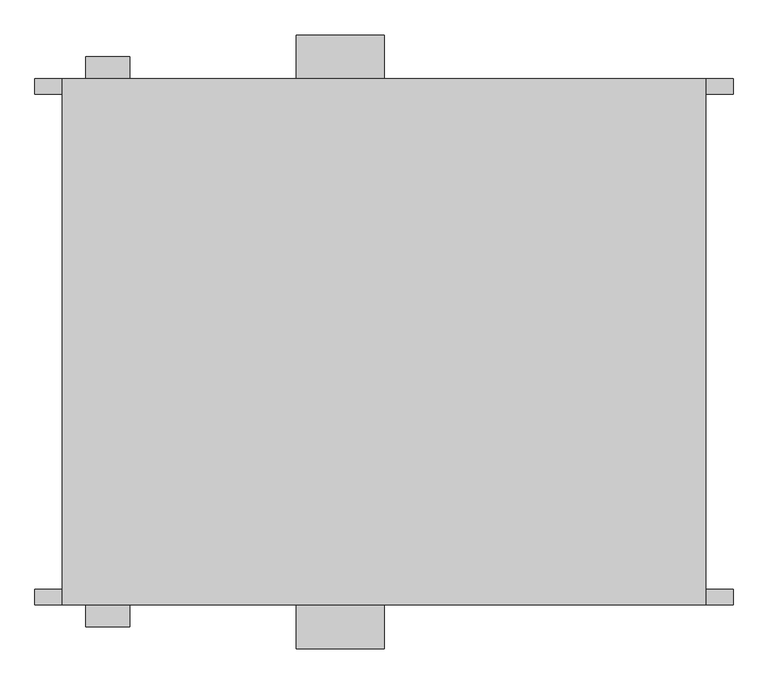
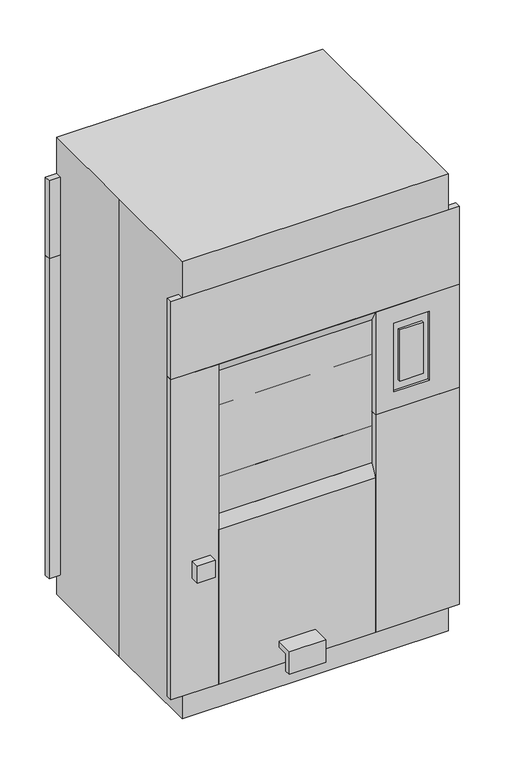
"""IFC4 building model written with IfcOpenShell, lengths in millimetres: proxy geometry."""

import ifcopenshell
import ifcopenshell.guid

model = None  # the IFC model being written
_history = None  # IfcOwnerHistory: only IFC2X3 demands one
_inside = {}  # id of a spatial element -> (the spatial element, [elements in it])
_under = {}  # id of a project, library or spatial element -> (it, [spatial elements below it])
_declared = {}  # id of a project -> (the project, [libraries it declares])
_typed = {}  # id of a type object -> (the type object, [elements of that type])
_made_of = {}  # id of a material, layer set ... -> (it, [elements and type objects made of it])


def new_model(schema):
    """Start an empty IFC model of exactly this schema.

    Asked for "IFC4X3", IfcOpenShell would pick the latest addendum, in which some entities
    have other attributes; the version numbers below select the first issue.
    IFC2X3 requires an IfcOwnerHistory on every rooted entity: one is made here for all.
    """
    global model, _history
    if schema == "IFC4X3":
        model = ifcopenshell.file(schema_version=(4, 3, 0, 0))
    else:
        model = ifcopenshell.file(schema=schema)
    _inside.clear()
    _under.clear()
    _declared.clear()
    _typed.clear()
    _made_of.clear()
    _history = None
    if model.schema == "IFC2X3":
        org = make("IfcOrganization", Name="unknown")
        user = make(
            "IfcPersonAndOrganization",
            ThePerson=make("IfcPerson", FamilyName="unknown"),
            TheOrganization=org,
        )
        app = make(
            "IfcApplication",
            ApplicationDeveloper=org,
            Version="unknown",
            ApplicationFullName="unknown",
            ApplicationIdentifier="unknown",
        )
        _history = make(
            "IfcOwnerHistory",
            OwningUser=user,
            OwningApplication=app,
            ChangeAction="ADDED",
            CreationDate=0,
        )
    return model


def make(cls, **values):
    """One entity of the class cls with the attributes given. An attribute that is None is left unset."""
    return model.create_entity(
        cls, **{name: value for name, value in values.items() if value is not None}
    )


def rooted(cls, **values):
    """An entity with a GlobalId (a new one), such as an element, a storey or a relation."""
    return make(cls, GlobalId=ifcopenshell.guid.new(), OwnerHistory=_history, **values)


def si_unit(unit_type, name, prefix=None):
    """IfcSIUnit, for example si_unit("LENGTHUNIT", "METRE", prefix="MILLI")."""
    return make("IfcSIUnit", UnitType=unit_type, Prefix=prefix, Name=name)


def assignment(units):
    """IfcUnitAssignment: the units of a project."""
    return None if units is None else make("IfcUnitAssignment", Units=units)


def point(xyz):
    """IfcCartesianPoint."""
    return None if xyz is None else make("IfcCartesianPoint", Coordinates=xyz)


def direction(xyz):
    """IfcDirection."""
    return None if xyz is None else make("IfcDirection", DirectionRatios=xyz)


def frame(location, z_axis=None, x_axis=None):
    """IfcAxis2Placement3D, a coordinate frame: its origin and axes. An axis left out is left unset."""
    return make(
        "IfcAxis2Placement3D",
        Location=point(location),
        Axis=direction(z_axis),
        RefDirection=direction(x_axis),
    )


def origin():
    """The frame at (0, 0, 0) with its axes left unset."""
    return frame((0.0, 0.0, 0.0))


def place(relative_to, where):
    """IfcLocalPlacement: puts the frame where relative to a parent placement (None: the world)."""
    return make(
        "IfcLocalPlacement", PlacementRelTo=relative_to, RelativePlacement=where
    )


def context(
    kind, dimensions, precision=None, world=None, true_north=None, identifier=None
):
    """IfcGeometricRepresentationContext, for example the 3D "Model" context."""
    return make(
        "IfcGeometricRepresentationContext",
        ContextIdentifier=identifier,
        ContextType=kind,
        CoordinateSpaceDimension=dimensions,
        Precision=precision,
        WorldCoordinateSystem=world,
        TrueNorth=true_north,
    )


def project(units=None, contexts=None):
    """IfcProject with its units and contexts."""
    return rooted(
        "IfcProject",
        Name="project",
        RepresentationContexts=contexts,
        UnitsInContext=assignment(units),
    )


def spatial(cls, under=None, at=None, **own):
    """A site, building, storey or space (cls), placed at a placement, below another one or the project."""
    s = rooted(cls, ObjectPlacement=at, **own)
    if under is not None:
        _under.setdefault(under.id(), (under, []))[1].append(s)
    return s


def polyline(points):
    """IfcPolyline through the points."""
    return make("IfcPolyline", Points=[point(p) for p in points])


def outline(outer, holes=None, kind="AREA"):
    """IfcArbitraryClosedProfileDef: a profile drawn as a closed curve; with holes, ...WithVoids."""
    if holes is None:
        return make("IfcArbitraryClosedProfileDef", ProfileType=kind, OuterCurve=outer)
    return make(
        "IfcArbitraryProfileDefWithVoids",
        ProfileType=kind,
        OuterCurve=outer,
        InnerCurves=holes,
    )


def extrude(swept, where, along, depth):
    """IfcExtrudedAreaSolid: the profile swept, set in the frame where, extruded along a direction by depth."""
    return make(
        "IfcExtrudedAreaSolid",
        SweptArea=swept,
        Position=where,
        ExtrudedDirection=direction(along),
        Depth=depth,
    )


def faces_of(points, faces, orient=None, outer=None):
    """IfcFace entities. A face is a list of loops; a loop is a list of indices into points, from 0.

    orient and outer hold one flag for each loop. By default every Orientation is true, the
    first loop of a face is its IfcFaceOuterBound and the others are IfcFaceBound.
    """
    made = []
    for i, loops in enumerate(faces):
        bounds = []
        for j, loop in enumerate(loops):
            is_outer = j == 0 if outer is None else outer[i][j]
            bounds.append(
                make(
                    "IfcFaceOuterBound" if is_outer else "IfcFaceBound",
                    Bound=make("IfcPolyLoop", Polygon=[points[k] for k in loop]),
                    Orientation=True if orient is None else orient[i][j],
                )
            )
        made.append(make("IfcFace", Bounds=bounds))
    return made


def faceted_brep(points, faces, orient=None, outer=None, voids=None):
    """IfcFacetedBrep: a solid bounded by flat faces; with voids (closed shells), ...WithVoids."""
    shared = [point(p) for p in points]
    hull = make("IfcClosedShell", CfsFaces=faces_of(shared, faces, orient, outer))
    if voids is None:
        return make("IfcFacetedBrep", Outer=hull)
    return make(
        "IfcFacetedBrepWithVoids",
        Outer=hull,
        Voids=[
            make(cls, CfsFaces=faces_of(shared, fs, o, b)) for cls, fs, o, b in voids
        ],
    )


def shape(context_of_items, identifier, shape_type, items):
    """IfcShapeRepresentation: the items that make up one representation, for example the "Body"."""
    return make(
        "IfcShapeRepresentation",
        ContextOfItems=context_of_items,
        RepresentationIdentifier=identifier,
        RepresentationType=shape_type,
        Items=items,
    )


def source(mapping_origin, context_of_items, identifier, shape_type, items):
    """IfcRepresentationMap: a shape defined once, which mapped items show again and again."""
    return make(
        "IfcRepresentationMap",
        MappingOrigin=mapping_origin,
        MappedRepresentation=shape(context_of_items, identifier, shape_type, items),
    )


def transform(
    local_origin,
    x_axis=None,
    y_axis=None,
    z_axis=None,
    scale=None,
    scale2=None,
    scale3=None,
    uniform=True,
):
    """IfcCartesianTransformationOperator3D, or its non-uniform kind. x_axis, y_axis, z_axis: its Axis1, 2, 3."""
    if uniform:
        return make(
            "IfcCartesianTransformationOperator3D",
            Axis1=direction(x_axis),
            Axis2=direction(y_axis),
            LocalOrigin=point(local_origin),
            Scale=scale,
            Axis3=direction(z_axis),
        )
    return make(
        "IfcCartesianTransformationOperator3DnonUniform",
        Axis1=direction(x_axis),
        Axis2=direction(y_axis),
        LocalOrigin=point(local_origin),
        Scale=scale,
        Axis3=direction(z_axis),
        Scale2=scale2,
        Scale3=scale3,
    )


def mapped(mapping_source, mapping_target):
    """IfcMappedItem: shows the shape of a source again, moved by a transform."""
    return make(
        "IfcMappedItem", MappingSource=mapping_source, MappingTarget=mapping_target
    )


def made_of(thing, what):
    """Note that an element or type object is made of a material, layer set ...; save() writes the relation."""
    if what is not None:
        _made_of.setdefault(what.id(), (what, []))[1].append(thing)
    return thing


def element(
    cls,
    number,
    at=None,
    inside=None,
    cuts=None,
    type_object=None,
    material=None,
    context=None,
    identifier="Body",
    shape_type=None,
    held_by="IfcProductDefinitionShape",
    body=None,
    shapes=None,
    **own,
):
    """One element of the class cls, such as IfcWall. Its Tag is "e" and its number.

    at: its placement. inside: the storey or other place that contains it. cuts: it is an
    opening in that element (IfcRelVoidsElement). A single representation is given by context,
    identifier, shape_type and body (its items); several are given by shapes. held_by: the class
    of the entity that holds the representations. save() writes the other relations.
    """
    e = rooted(cls, Tag="e%d" % number, ObjectPlacement=at, **own)
    if body is not None:
        shapes = [shape(context, identifier, shape_type, body)]
    if shapes is not None:
        e.Representation = make(held_by, Representations=shapes)
    if inside is not None:
        _inside.setdefault(inside.id(), (inside, []))[1].append(e)
    if cuts is not None:
        rooted(
            "IfcRelVoidsElement", RelatingBuildingElement=cuts, RelatedOpeningElement=e
        )
    if type_object is not None:
        _typed.setdefault(type_object.id(), (type_object, []))[1].append(e)
    return made_of(e, material)


def aggregate(whole, parts):
    """IfcRelAggregates: a whole, such as a stair, and the parts it consists of."""
    return rooted("IfcRelAggregates", RelatingObject=whole, RelatedObjects=parts)


def save(model, path):
    """Write the relations noted so far, then the file.

    IfcRelAggregates (storeys below a building ...), IfcRelContainedInSpatialStructure (elements
    in a storey), IfcRelDefinesByType, IfcRelAssociatesMaterial and IfcRelDeclares: one each for
    every whole, place, type object, material and project.
    """
    for whole, parts in _under.values():
        aggregate(whole, parts)
    for where, things in _inside.values():
        rooted(
            "IfcRelContainedInSpatialStructure",
            RelatedElements=things,
            RelatingStructure=where,
        )
    for kind, things in _typed.values():
        rooted("IfcRelDefinesByType", RelatedObjects=things, RelatingType=kind)
    for what, things in _made_of.values():
        rooted("IfcRelAssociatesMaterial", RelatedObjects=things, RelatingMaterial=what)
    for by, libraries in _declared.values():
        rooted("IfcRelDeclares", RelatingContext=by, RelatedDefinitions=libraries)
    model.write(path)


def specialty_equipment_aeb0d0a3(model_context):
    return source(origin(), model_context, "Body", "SolidModel", [
        extrude(outline(polyline([(-457.2, 101.6), (-457.2, 787.4), (-430.2125, 838.2), (-430.2125, 101.6), (-457.2, 101.6)])), frame((-406.4, 0.0, 0.0), z_axis=(1.0, 0.0, 0.0), x_axis=(0.0, 1.0, 0.0)), (0.0, 0.0, 1.0), 660.4),
        extrude(outline(polyline([(-430.2125, 1524.0), (-430.2125, 1473.2), (-457.2, 1524.0), (-430.2125, 1524.0)])), frame((-406.4, 0.0, 0.0), z_axis=(1.0, 0.0, 0.0), x_axis=(0.0, 1.0, 0.0)), (0.0, 0.0, 1.0), 660.4),
        faceted_brep([(606.425, -457.2, 1524.0), (254.0, -457.2, 1524.0), (254.0, -457.2, 1066.8), (606.425, -457.2, 1066.8), (479.425, -457.2, 1447.8), (479.425, -457.2, 1143.0), (330.2, -457.2, 1143.0), (330.2, -457.2, 1447.8), (454.025, -457.2, 1409.7), (355.6, -457.2, 1409.7), (355.6, -457.2, 1181.1), (454.025, -457.2, 1181.1), (606.425, -430.2125, 1524.0), (606.425, -430.2125, 1066.8), (254.0, -430.2125, 1066.8), (254.0, -430.2125, 1524.0), (479.425, -448.0871048, 1447.8), (330.2, -448.0871048, 1447.8), (330.2, -448.0871048, 1143.0), (479.425, -448.0871048, 1143.0), (454.025, -448.0871048, 1409.7), (454.025, -448.0871048, 1181.1), (355.6, -448.0871048, 1181.1), (355.6, -448.0871048, 1409.7)], [[[0, 1, 2, 3], [4, 5, 6, 7]], [[8, 9, 10, 11]], [[12, 13, 14, 15]], [[0, 12, 15, 1]], [[1, 15, 14, 2]], [[2, 14, 13, 3]], [[3, 13, 12, 0]], [[16, 17, 18, 19], [20, 21, 22, 23]], [[16, 4, 7, 17]], [[17, 7, 6, 18]], [[18, 6, 5, 19]], [[19, 5, 4, 16]], [[20, 8, 11, 21]], [[21, 11, 10, 22]], [[22, 10, 9, 23]], [[23, 9, 8, 20]]]),
        extrude(outline(polyline([(606.425, 457.2), (606.425, 430.2125), (254.0, 430.2125), (254.0, 457.2), (606.425, 457.2)])), frame((0.0, 0.0, 101.6), z_axis=(0.0, 0.0, 1.0), x_axis=(1.0, 0.0, 0.0)), (0.0, 0.0, 1.0), 965.2),
        extrude(outline(polyline([(-406.4, 457.2), (-406.4, 430.2125), (-606.425, 430.2125), (-606.425, 457.2), (-406.4, 457.2)])), frame((0.0, 0.0, 101.6), z_axis=(0.0, 0.0, 1.0), x_axis=(1.0, 0.0, 0.0)), (0.0, 0.0, 1.0), 1422.4),
        extrude(outline(polyline([(606.425, 457.2), (606.425, 430.2125), (-606.425, 430.2125), (-606.425, 457.2), (606.425, 457.2)])), frame((0.0, 0.0, 1524.0), z_axis=(0.0, 0.0, 1.0), x_axis=(1.0, 0.0, 0.0)), (0.0, 0.0, 1.0), 346.075),
        extrude(outline(polyline([(-533.4, 203.2), (-457.2, 203.2), (-457.2, 177.8), (-508.0, 177.8), (-508.0, 101.6), (-533.4, 101.6), (-533.4, 203.2)])), frame((-152.4, 0.0, 0.0), z_axis=(1.0, 0.0, 0.0), x_axis=(0.0, 1.0, 0.0)), (0.0, 0.0, 1.0), 152.4),
        extrude(outline(polyline([(-517.7182221, -495.3), (-517.7182221, -457.2), (-441.5182221, -457.2), (-441.5182221, -495.3), (-517.7182221, -495.3)])), frame((0.0, 0.0, 611.2734951), z_axis=(0.0, 0.0, 1.0), x_axis=(1.0, 0.0, 0.0)), (0.0, 0.0, 1.0), 76.2),
        extrude(outline(polyline([(254.0, -457.2), (254.0, -430.2125), (606.425, -430.2125), (606.425, -457.2), (254.0, -457.2)])), frame((0.0, 0.0, 101.6), z_axis=(0.0, 0.0, 1.0), x_axis=(1.0, 0.0, 0.0)), (0.0, 0.0, 1.0), 965.2),
        extrude(outline(polyline([(-606.425, -457.2), (-606.425, -430.2125), (-406.4, -430.2125), (-406.4, -457.2), (-606.425, -457.2)])), frame((0.0, 0.0, 101.6), z_axis=(0.0, 0.0, 1.0), x_axis=(1.0, 0.0, 0.0)), (0.0, 0.0, 1.0), 1422.4),
        extrude(outline(polyline([(-606.425, -457.2), (-606.425, -430.2125), (606.425, -430.2125), (606.425, -457.2), (-606.425, -457.2)])), frame((0.0, 0.0, 1524.0), z_axis=(0.0, 0.0, 1.0), x_axis=(1.0, 0.0, 0.0)), (0.0, 0.0, 1.0), 346.075),
        extrude(outline(polyline([(533.4, 203.2), (533.4, 101.6), (508.0, 101.6), (508.0, 177.8), (457.2, 177.8), (457.2, 203.2), (533.4, 203.2)])), frame((-152.4, 0.0, 0.0), z_axis=(1.0, 0.0, 0.0), x_axis=(0.0, 1.0, 0.0)), (0.0, 0.0, 1.0), 152.4),
        extrude(outline(polyline([(-441.5182221, 495.3), (-441.5182221, 457.2), (-517.7182221, 457.2), (-517.7182221, 495.3), (-441.5182221, 495.3)])), frame((0.0, 0.0, 611.2734951), z_axis=(0.0, 0.0, 1.0), x_axis=(1.0, 0.0, 0.0)), (0.0, 0.0, 1.0), 76.2),
        extrude(outline(polyline([(430.2125, 101.6), (430.2125, 838.2), (457.2, 787.4), (457.2, 101.6), (430.2125, 101.6)])), frame((-406.4, 0.0, 0.0), z_axis=(1.0, 0.0, 0.0), x_axis=(0.0, 1.0, 0.0)), (0.0, 0.0, 1.0), 660.4),
        extrude(outline(polyline([(457.2, 1524.0), (430.2125, 1473.2), (430.2125, 1524.0), (457.2, 1524.0)])), frame((-406.4, 0.0, 0.0), z_axis=(1.0, 0.0, 0.0), x_axis=(0.0, 1.0, 0.0)), (0.0, 0.0, 1.0), 660.4),
        faceted_brep([(606.425, 457.2, 1524.0), (606.425, 457.2, 1066.8), (254.0, 457.2, 1066.8), (254.0, 457.2, 1524.0), (330.2, 457.2, 1447.8), (330.2, 457.2, 1143.0), (479.425, 457.2, 1143.0), (479.425, 457.2, 1447.8), (454.025, 457.2, 1181.1), (355.6, 457.2, 1181.1), (355.6, 457.2, 1409.7), (454.025, 457.2, 1409.7), (606.425, 430.2125, 1524.0), (254.0, 430.2125, 1524.0), (254.0, 430.2125, 1066.8), (606.425, 430.2125, 1066.8), (479.425, 448.0871048, 1447.8), (479.425, 448.0871048, 1143.0), (330.2, 448.0871048, 1143.0), (330.2, 448.0871048, 1447.8), (454.025, 448.0871048, 1409.7), (355.6, 448.0871048, 1409.7), (355.6, 448.0871048, 1181.1), (454.025, 448.0871048, 1181.1)], [[[0, 1, 2, 3], [4, 5, 6, 7]], [[8, 9, 10, 11]], [[12, 13, 14, 15]], [[3, 13, 12, 0]], [[2, 14, 13, 3]], [[1, 15, 14, 2]], [[0, 12, 15, 1]], [[16, 17, 18, 19], [20, 21, 22, 23]], [[19, 4, 7, 16]], [[18, 5, 4, 19]], [[17, 6, 5, 18]], [[16, 7, 6, 17]], [[23, 8, 11, 20]], [[22, 9, 8, 23]], [[21, 10, 9, 22]], [[20, 11, 10, 21]]]),
        extrude(outline(polyline([(254.0, 430.2125), (254.0, -430.2125), (-406.4, -430.2125), (-406.4, 430.2125), (254.0, 430.2125)])), frame((0.0, 0.0, 838.2), z_axis=(0.0, 0.0, 1.0), x_axis=(1.0, 0.0, 0.0)), (0.0, 0.0, 1.0), 635.0),
        extrude(outline(polyline([(0.0, 555.625), (1870.075, 555.625), (1870.075, -555.625), (0.0, -555.625), (0.0, 555.625)]), holes=[polyline([(838.2, -406.4), (996.95, -406.4), (996.95, 254.0), (838.2, 254.0), (838.2, -406.4)]), polyline([(1473.2, 254.0), (1320.8, 254.0), (1320.8, -406.4), (1473.2, -406.4), (1473.2, 254.0)]), polyline([(1314.45, 254.0), (1162.05, 254.0), (1162.05, -406.4), (1314.45, -406.4), (1314.45, 254.0)]), polyline([(1155.7, 254.0), (1003.3, 254.0), (1003.3, -406.4), (1155.7, -406.4), (1155.7, 254.0)])]), frame((0.0, -430.2125, 0.0), z_axis=(0.0, 1.0, 0.0), x_axis=(0.0, 0.0, 1.0)), (0.0, 0.0, 1.0), 860.425),
        faceted_brep([(-558.8, -457.2, 2032.0), (558.8, -457.2, 2032.0), (558.8, 457.2, 2032.0), (-558.8, 457.2, 2032.0), (-558.8, 0.0, 2032.0), (-558.8, -457.2, 0.0), (-558.8, 0.0, 0.0), (-558.8, 457.2, 0.0), (558.8, 457.2, 0.0), (558.8, -457.2, 0.0), (-406.4, 457.2, 1524.0), (-406.4, 457.2, 787.4), (254.0, 457.2, 787.4), (254.0, 457.2, 1524.0), (330.2, 457.2, 1447.8), (330.2, 457.2, 1143.0), (479.425, 457.2, 1143.0), (479.425, 457.2, 1447.8), (454.025, 457.2, 1181.1), (355.6, 457.2, 1181.1), (355.6, 457.2, 1409.7), (454.025, 457.2, 1409.7), (254.0, -457.2, 1524.0), (254.0, -457.2, 787.4), (-406.4, -457.2, 787.4), (-406.4, -457.2, 1524.0), (479.425, -457.2, 1447.8), (479.425, -457.2, 1143.0), (330.2, -457.2, 1143.0), (330.2, -457.2, 1447.8), (454.025, -457.2, 1409.7), (355.6, -457.2, 1409.7), (355.6, -457.2, 1181.1), (454.025, -457.2, 1181.1), (254.0, 430.2125, 1473.2), (254.0, 430.2125, 838.2), (-406.4, 430.2125, 838.2), (-406.4, 430.2125, 1473.2), (-406.4, 455.6125, 1524.0), (-406.4, 455.6125, 1521.0117647), (254.0, 455.6125, 1521.0117647), (254.0, 455.6125, 1524.0), (254.0, 455.6125, 787.4), (254.0, 455.6125, 790.3882353), (-406.4, 455.6125, 790.3882353), (-406.4, 455.6125, 787.4), (479.425, 448.0871048, 1447.8), (479.425, 448.0871048, 1143.0), (330.2, 448.0871048, 1143.0), (330.2, 448.0871048, 1447.8), (454.025, 448.0871048, 1409.7), (355.6, 448.0871048, 1409.7), (355.6, 448.0871048, 1181.1), (454.025, 448.0871048, 1181.1), (254.0, -430.2125, 1473.2), (-406.4, -430.2125, 1473.2), (-406.4, -430.2125, 838.2), (254.0, -430.2125, 838.2), (479.425, -448.0871048, 1447.8), (330.2, -448.0871048, 1447.8), (330.2, -448.0871048, 1143.0), (479.425, -448.0871048, 1143.0), (454.025, -448.0871048, 1409.7), (454.025, -448.0871048, 1181.1), (355.6, -448.0871048, 1181.1), (355.6, -448.0871048, 1409.7)], [[[0, 1, 2, 3, 4]], [[5, 6, 7, 8, 9]], [[4, 6, 5, 0]], [[3, 7, 6, 4]], [[2, 8, 7, 3], [10, 11, 12, 13], [14, 15, 16, 17]], [[18, 19, 20, 21]], [[1, 9, 8, 2]], [[0, 5, 9, 1], [22, 23, 24, 25], [26, 27, 28, 29]], [[30, 31, 32, 33]], [[34, 35, 36, 37]], [[38, 39, 40, 41]], [[42, 43, 44, 45]], [[37, 38, 41, 34]], [[36, 45, 44, 11, 10, 39, 38, 37]], [[35, 42, 45, 36]], [[34, 41, 40, 13, 12, 43, 42, 35]], [[10, 13, 40, 39]], [[44, 43, 12, 11]], [[46, 47, 48, 49], [50, 51, 52, 53]], [[49, 14, 17, 46]], [[48, 15, 14, 49]], [[47, 16, 15, 48]], [[46, 17, 16, 47]], [[53, 18, 21, 50]], [[52, 19, 18, 53]], [[51, 20, 19, 52]], [[50, 21, 20, 51]], [[54, 55, 56, 57]], [[54, 22, 25, 55]], [[55, 25, 24, 56]], [[56, 24, 23, 57]], [[57, 23, 22, 54]], [[58, 59, 60, 61], [62, 63, 64, 65]], [[58, 26, 29, 59]], [[59, 29, 28, 60]], [[60, 28, 27, 61]], [[61, 27, 26, 58]], [[62, 30, 33, 63]], [[63, 33, 32, 64]], [[64, 32, 31, 65]], [[65, 31, 30, 62]]]),
    ])


if __name__ == "__main__":
    model = new_model("IFC4")
    model_context = context("Model", 3, world=origin())
    ifc_project = project(units=[si_unit("LENGTHUNIT", "METRE", prefix="MILLI")], contexts=[model_context])
    site = spatial("IfcSite", under=ifc_project)
    building = spatial("IfcBuilding", under=site)
    placement = place(None, origin())
    specialty_equipment_shape = specialty_equipment_aeb0d0a3(model_context)
    element("IfcBuildingElementProxy", 1, Name="Specialty Equipment", at=placement, inside=building, context=model_context, shape_type="MappedRepresentation", body=[
        mapped(specialty_equipment_shape, transform((0.0, 0.0, 0.0), x_axis=(1.0, 0.0, 0.0), y_axis=(0.0, 1.0, 0.0), z_axis=(0.0, 0.0, 1.0))),
    ])
    save(model, "model.ifc")
